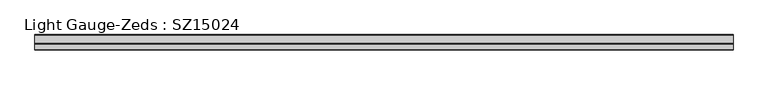
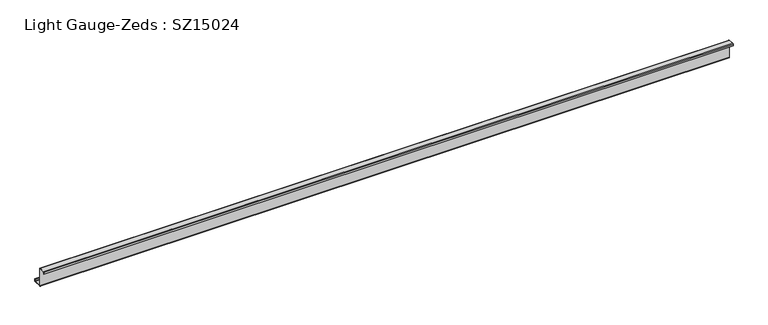
"""IFC4 building model written with IfcOpenShell, lengths in millimetres: beam geometry, Light Gauge-Zeds : SZ15024."""

from ifc_helpers import new_model, si_unit, point, frame, frame_2d, origin, place, context, project, spatial, polyline, circle_curve, trimmed, segment, composite_curve, outline, extrude, source, transform, mapped, element, save


def light_gauge_zeds_sz15024_d13f5d1f(model_context):
    return source(origin(), model_context, "Body", "SweptSolid", [
        extrude(outline(composite_curve([segment(polyline([(0.0, -71.6), (0.0, 71.6)]), True, "CONTINUOUS"), segment(trimmed(circle_curve(frame_2d((-2.0, 71.6)), 2.0), [point((0.0, 71.6))], [point((-2.0, 73.6))], True, "CARTESIAN"), True, "CONTINUOUS"), segment(polyline([(-2.0, 73.6), (-47.6, 73.6)]), True, "CONTINUOUS"), segment(trimmed(circle_curve(frame_2d((-47.6, 71.6)), 2.0), [point((-47.6, 73.6))], [point((-49.6, 71.6))], True, "CARTESIAN"), True, "CONTINUOUS"), segment(polyline([(-49.6, 71.6), (-49.6, 57.0), (-52.0, 57.0), (-52.0, 71.6)]), True, "CONTINUOUS"), segment(trimmed(circle_curve(frame_2d((-47.6, 71.6)), 4.4), [point((-52.0, 71.6))], [point((-47.6, 76.0))], False, "CARTESIAN"), True, "CONTINUOUS"), segment(polyline([(-47.6, 76.0), (-2.0, 76.0)]), True, "CONTINUOUS"), segment(trimmed(circle_curve(frame_2d((-2.0, 71.6)), 4.4), [point((-2.0, 76.0))], [point((2.4, 71.6))], False, "CARTESIAN"), True, "CONTINUOUS"), segment(polyline([(2.4, 71.6), (2.4, -71.6)]), True, "CONTINUOUS"), segment(trimmed(circle_curve(frame_2d((4.4, -71.6)), 2.0), [point((2.4, -71.6))], [point((4.4, -73.6))], True, "CARTESIAN"), True, "CONTINUOUS"), segment(polyline([(4.4, -73.6), (65.6, -73.6)]), True, "CONTINUOUS"), segment(trimmed(circle_curve(frame_2d((65.6, -71.6)), 2.0), [point((65.6, -73.6))], [point((67.6, -71.6))], True, "CARTESIAN"), True, "CONTINUOUS"), segment(polyline([(67.6, -71.6), (67.6, -56.0), (70.0, -56.0), (70.0, -71.6)]), True, "CONTINUOUS"), segment(trimmed(circle_curve(frame_2d((65.6, -71.6)), 4.4), [point((70.0, -71.6))], [point((65.6, -76.0))], False, "CARTESIAN"), True, "CONTINUOUS"), segment(polyline([(65.6, -76.0), (4.4, -76.0)]), True, "CONTINUOUS"), segment(trimmed(circle_curve(frame_2d((4.4, -71.6)), 4.4), [point((4.4, -76.0))], [point((0.0, -71.6))], False, "CARTESIAN"), True, "CONTINUOUS")], self_intersect=False)), frame((-2425.0, 0.0, 0.0), z_axis=(1.0, 0.0, 0.0), x_axis=(0.0, 1.0, 0.0)), (0.0, 0.0, 1.0), 5493.0),
    ])


if __name__ == "__main__":
    model = new_model("IFC4")
    model_context = context("Model", 3, world=origin())
    ifc_project = project(units=[si_unit("LENGTHUNIT", "METRE", prefix="MILLI")], contexts=[model_context])
    site = spatial("IfcSite", under=ifc_project)
    building = spatial("IfcBuilding", under=site)
    placement = place(None, origin())
    light_gauge_zeds_sz15024_shape = light_gauge_zeds_sz15024_d13f5d1f(model_context)
    element("IfcBeam", 1, ObjectType="Light Gauge-Zeds : SZ15024", at=placement, inside=building, context=model_context, shape_type="MappedRepresentation", body=[
        mapped(light_gauge_zeds_sz15024_shape, transform((0.0, 0.0, 0.0), x_axis=(1.0, 0.0, 0.0), y_axis=(0.0, 1.0, 0.0), z_axis=(0.0, 0.0, 1.0))),
    ])
    save(model, "model.ifc")
